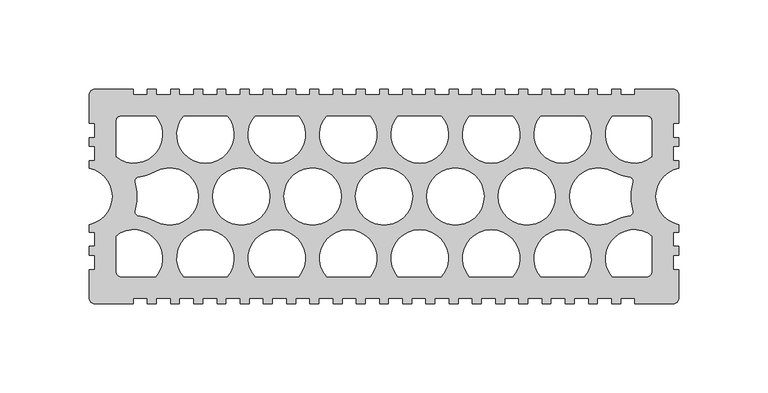
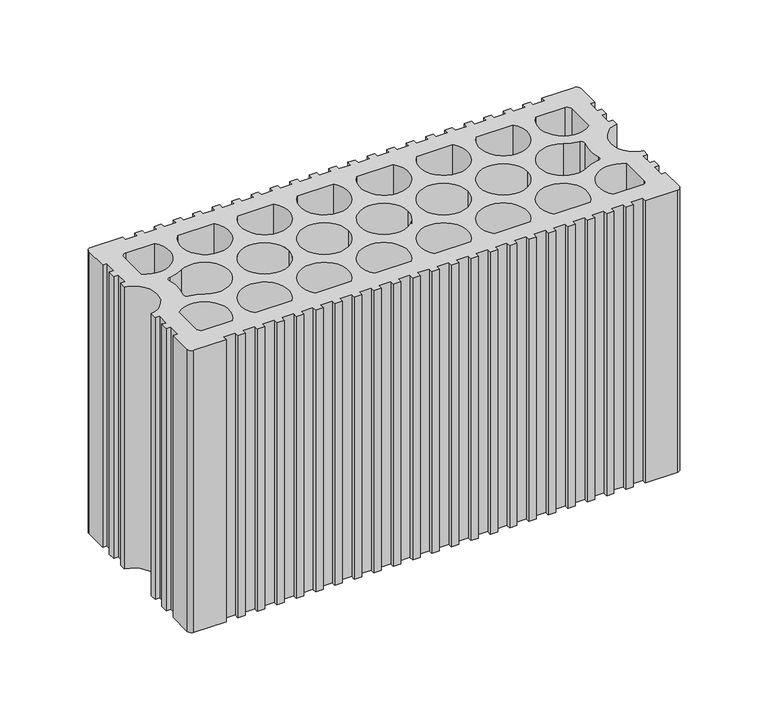
"""IFC4 building model written with IfcOpenShell, lengths in millimetres: plate geometry."""

import ifcopenshell
import ifcopenshell.guid

model = None  # the IFC model being written
_history = None  # IfcOwnerHistory: only IFC2X3 demands one
_inside = {}  # id of a spatial element -> (the spatial element, [elements in it])
_under = {}  # id of a project, library or spatial element -> (it, [spatial elements below it])
_declared = {}  # id of a project -> (the project, [libraries it declares])
_typed = {}  # id of a type object -> (the type object, [elements of that type])
_made_of = {}  # id of a material, layer set ... -> (it, [elements and type objects made of it])


def new_model(schema):
    """Start an empty IFC model of exactly this schema.

    Asked for "IFC4X3", IfcOpenShell would pick the latest addendum, in which some entities
    have other attributes; the version numbers below select the first issue.
    IFC2X3 requires an IfcOwnerHistory on every rooted entity: one is made here for all.
    """
    global model, _history
    if schema == "IFC4X3":
        model = ifcopenshell.file(schema_version=(4, 3, 0, 0))
    else:
        model = ifcopenshell.file(schema=schema)
    _inside.clear()
    _under.clear()
    _declared.clear()
    _typed.clear()
    _made_of.clear()
    _history = None
    if model.schema == "IFC2X3":
        org = make("IfcOrganization", Name="unknown")
        user = make(
            "IfcPersonAndOrganization",
            ThePerson=make("IfcPerson", FamilyName="unknown"),
            TheOrganization=org,
        )
        app = make(
            "IfcApplication",
            ApplicationDeveloper=org,
            Version="unknown",
            ApplicationFullName="unknown",
            ApplicationIdentifier="unknown",
        )
        _history = make(
            "IfcOwnerHistory",
            OwningUser=user,
            OwningApplication=app,
            ChangeAction="ADDED",
            CreationDate=0,
        )
    return model


def make(cls, **values):
    """One entity of the class cls with the attributes given. An attribute that is None is left unset."""
    return model.create_entity(
        cls, **{name: value for name, value in values.items() if value is not None}
    )


def rooted(cls, **values):
    """An entity with a GlobalId (a new one), such as an element, a storey or a relation."""
    return make(cls, GlobalId=ifcopenshell.guid.new(), OwnerHistory=_history, **values)


def si_unit(unit_type, name, prefix=None):
    """IfcSIUnit, for example si_unit("LENGTHUNIT", "METRE", prefix="MILLI")."""
    return make("IfcSIUnit", UnitType=unit_type, Prefix=prefix, Name=name)


def assignment(units):
    """IfcUnitAssignment: the units of a project."""
    return None if units is None else make("IfcUnitAssignment", Units=units)


def point(xyz):
    """IfcCartesianPoint."""
    return None if xyz is None else make("IfcCartesianPoint", Coordinates=xyz)


def direction(xyz):
    """IfcDirection."""
    return None if xyz is None else make("IfcDirection", DirectionRatios=xyz)


def frame(location, z_axis=None, x_axis=None):
    """IfcAxis2Placement3D, a coordinate frame: its origin and axes. An axis left out is left unset."""
    return make(
        "IfcAxis2Placement3D",
        Location=point(location),
        Axis=direction(z_axis),
        RefDirection=direction(x_axis),
    )


def frame_2d(location, x_axis=None):
    """IfcAxis2Placement2D, a coordinate frame in the plane: its origin and x axis."""
    return make(
        "IfcAxis2Placement2D", Location=point(location), RefDirection=direction(x_axis)
    )


def origin():
    """The frame at (0, 0, 0) with its axes left unset."""
    return frame((0.0, 0.0, 0.0))


def origin_with_axes():
    """The frame at (0, 0, 0) with the z axis (0, 0, 1) and the x axis (1, 0, 0) written out."""
    return frame((0.0, 0.0, 0.0), z_axis=(0.0, 0.0, 1.0), x_axis=(1.0, 0.0, 0.0))


def place(relative_to, where):
    """IfcLocalPlacement: puts the frame where relative to a parent placement (None: the world)."""
    return make(
        "IfcLocalPlacement", PlacementRelTo=relative_to, RelativePlacement=where
    )


def context(
    kind, dimensions, precision=None, world=None, true_north=None, identifier=None
):
    """IfcGeometricRepresentationContext, for example the 3D "Model" context."""
    return make(
        "IfcGeometricRepresentationContext",
        ContextIdentifier=identifier,
        ContextType=kind,
        CoordinateSpaceDimension=dimensions,
        Precision=precision,
        WorldCoordinateSystem=world,
        TrueNorth=true_north,
    )


def project(units=None, contexts=None):
    """IfcProject with its units and contexts."""
    return rooted(
        "IfcProject",
        Name="project",
        RepresentationContexts=contexts,
        UnitsInContext=assignment(units),
    )


def spatial(cls, under=None, at=None, **own):
    """A site, building, storey or space (cls), placed at a placement, below another one or the project."""
    s = rooted(cls, ObjectPlacement=at, **own)
    if under is not None:
        _under.setdefault(under.id(), (under, []))[1].append(s)
    return s


def polyline(points):
    """IfcPolyline through the points."""
    return make("IfcPolyline", Points=[point(p) for p in points])


def circle_curve(where, radius):
    """IfcCircle in the frame where."""
    return make("IfcCircle", Position=where, Radius=radius)


def trimmed(basis, trim1, trim2, sense, master):
    """IfcTrimmedCurve: the piece of a basis curve between two trims."""
    return make(
        "IfcTrimmedCurve",
        BasisCurve=basis,
        Trim1=trim1,
        Trim2=trim2,
        SenseAgreement=sense,
        MasterRepresentation=master,
    )


def segment(curve, same_sense, transition):
    """IfcCompositeCurveSegment."""
    return make(
        "IfcCompositeCurveSegment",
        Transition=transition,
        SameSense=same_sense,
        ParentCurve=curve,
    )


def composite_curve(segments, self_intersect=None):
    """IfcCompositeCurve: segments joined end to end."""
    return make("IfcCompositeCurve", Segments=segments, SelfIntersect=self_intersect)


def outline(outer, holes=None, kind="AREA"):
    """IfcArbitraryClosedProfileDef: a profile drawn as a closed curve; with holes, ...WithVoids."""
    if holes is None:
        return make("IfcArbitraryClosedProfileDef", ProfileType=kind, OuterCurve=outer)
    return make(
        "IfcArbitraryProfileDefWithVoids",
        ProfileType=kind,
        OuterCurve=outer,
        InnerCurves=holes,
    )


def extrude(swept, where, along, depth):
    """IfcExtrudedAreaSolid: the profile swept, set in the frame where, extruded along a direction by depth."""
    return make(
        "IfcExtrudedAreaSolid",
        SweptArea=swept,
        Position=where,
        ExtrudedDirection=direction(along),
        Depth=depth,
    )


def shape(context_of_items, identifier, shape_type, items):
    """IfcShapeRepresentation: the items that make up one representation, for example the "Body"."""
    return make(
        "IfcShapeRepresentation",
        ContextOfItems=context_of_items,
        RepresentationIdentifier=identifier,
        RepresentationType=shape_type,
        Items=items,
    )


def source(mapping_origin, context_of_items, identifier, shape_type, items):
    """IfcRepresentationMap: a shape defined once, which mapped items show again and again."""
    return make(
        "IfcRepresentationMap",
        MappingOrigin=mapping_origin,
        MappedRepresentation=shape(context_of_items, identifier, shape_type, items),
    )


def transform(
    local_origin,
    x_axis=None,
    y_axis=None,
    z_axis=None,
    scale=None,
    scale2=None,
    scale3=None,
    uniform=True,
):
    """IfcCartesianTransformationOperator3D, or its non-uniform kind. x_axis, y_axis, z_axis: its Axis1, 2, 3."""
    if uniform:
        return make(
            "IfcCartesianTransformationOperator3D",
            Axis1=direction(x_axis),
            Axis2=direction(y_axis),
            LocalOrigin=point(local_origin),
            Scale=scale,
            Axis3=direction(z_axis),
        )
    return make(
        "IfcCartesianTransformationOperator3DnonUniform",
        Axis1=direction(x_axis),
        Axis2=direction(y_axis),
        LocalOrigin=point(local_origin),
        Scale=scale,
        Axis3=direction(z_axis),
        Scale2=scale2,
        Scale3=scale3,
    )


def mapped(mapping_source, mapping_target):
    """IfcMappedItem: shows the shape of a source again, moved by a transform."""
    return make(
        "IfcMappedItem", MappingSource=mapping_source, MappingTarget=mapping_target
    )


def made_of(thing, what):
    """Note that an element or type object is made of a material, layer set ...; save() writes the relation."""
    if what is not None:
        _made_of.setdefault(what.id(), (what, []))[1].append(thing)
    return thing


def element(
    cls,
    number,
    at=None,
    inside=None,
    cuts=None,
    type_object=None,
    material=None,
    context=None,
    identifier="Body",
    shape_type=None,
    held_by="IfcProductDefinitionShape",
    body=None,
    shapes=None,
    **own,
):
    """One element of the class cls, such as IfcWall. Its Tag is "e" and its number.

    at: its placement. inside: the storey or other place that contains it. cuts: it is an
    opening in that element (IfcRelVoidsElement). A single representation is given by context,
    identifier, shape_type and body (its items); several are given by shapes. held_by: the class
    of the entity that holds the representations. save() writes the other relations.
    """
    e = rooted(cls, Tag="e%d" % number, ObjectPlacement=at, **own)
    if body is not None:
        shapes = [shape(context, identifier, shape_type, body)]
    if shapes is not None:
        e.Representation = make(held_by, Representations=shapes)
    if inside is not None:
        _inside.setdefault(inside.id(), (inside, []))[1].append(e)
    if cuts is not None:
        rooted(
            "IfcRelVoidsElement", RelatingBuildingElement=cuts, RelatedOpeningElement=e
        )
    if type_object is not None:
        _typed.setdefault(type_object.id(), (type_object, []))[1].append(e)
    return made_of(e, material)


def aggregate(whole, parts):
    """IfcRelAggregates: a whole, such as a stair, and the parts it consists of."""
    return rooted("IfcRelAggregates", RelatingObject=whole, RelatedObjects=parts)


def save(model, path):
    """Write the relations noted so far, then the file.

    IfcRelAggregates (storeys below a building ...), IfcRelContainedInSpatialStructure (elements
    in a storey), IfcRelDefinesByType, IfcRelAssociatesMaterial and IfcRelDeclares: one each for
    every whole, place, type object, material and project.
    """
    for whole, parts in _under.values():
        aggregate(whole, parts)
    for where, things in _inside.values():
        rooted(
            "IfcRelContainedInSpatialStructure",
            RelatedElements=things,
            RelatingStructure=where,
        )
    for kind, things in _typed.values():
        rooted("IfcRelDefinesByType", RelatedObjects=things, RelatingType=kind)
    for what, things in _made_of.values():
        rooted("IfcRelAssociatesMaterial", RelatedObjects=things, RelatingMaterial=what)
    for by, libraries in _declared.values():
        rooted("IfcRelDeclares", RelatingContext=by, RelatedDefinitions=libraries)
    model.write(path)


def plate_e868179e(model_context):
    return source(origin(), model_context, "Body", "SweptSolid", [
        extrude(outline(composite_curve([segment(trimmed(circle_curve(frame_2d((-77.0618721, -57.0619088)), 2.9386225), [point((-76.9999521, -59.9998788))], [point((-79.9998399, -56.9998835))], False, "CARTESIAN"), True, "CONTINUOUS"), segment(polyline([(-79.9998399, -56.9998835), (-79.9998399, -40.9999178), (-76.999825, -40.9999178), (-76.999825, -32.9999326), (-79.9998399, -32.9999326), (-79.9998399, -28.0000895), (-76.999825, -28.0000895), (-76.999825, -19.9999605), (-79.9998399, -19.9999605), (-79.9998399, -15.7162044)]), True, "CONTINUOUS"), segment(trimmed(circle_curve(frame_2d((-82.9998224, 1.4e-06)), 15.9999693), [point((-79.9998399, -15.7162044))], [point((-79.9998399, 15.7162071))], True, "CARTESIAN"), True, "CONTINUOUS"), segment(polyline([(-79.9998399, 15.7162071), (-79.9998399, 19.9999578), (-76.999825, 19.9999578), (-76.999825, 27.999943), (-79.9998399, 27.999943), (-79.9998399, 32.9999355), (-76.999825, 32.9999355), (-76.999825, 40.9999207), (-79.9998399, 40.9999207), (-79.9998399, 56.9998835)]), True, "CONTINUOUS"), segment(trimmed(circle_curve(frame_2d((-77.0618721, 57.0619088)), 2.9386225), [point((-79.9998399, 56.9998835))], [point((-76.999825, 59.9998761))], False, "CARTESIAN"), True, "CONTINUOUS"), segment(polyline([(-76.999825, 59.9998761), (-55.4998769, 59.9998761), (-55.4998769, 56.9998875), (-47.4998936, 56.9998875), (-47.4998936, 59.9998815), (-42.499901, 59.9998815), (-42.499901, 56.9998875), (-34.4999196, 56.9998875), (-34.4999196, 59.9998815), (-29.499927, 59.9998815), (-29.499927, 56.9998875), (-21.4999456, 56.9998875), (-21.4999456, 59.9998815), (-16.499953, 59.9998815), (-16.499953, 56.9998875), (-8.4999679, 56.9998875), (-8.4999679, 59.9998815), (-3.4999828, 59.9998815), (-3.4999828, 56.9998875), (4.5000024, 56.9998875), (4.5000024, 59.9998815), (9.499995, 59.9998815), (9.499995, 56.9998875), (17.4999727, 56.9998875), (17.4999727, 59.9998815), (22.4999653, 59.9998815), (22.4999653, 56.9998875), (30.4999504, 56.9998875), (30.4999504, 59.9998815), (35.499943, 59.9998815), (35.499943, 56.9998875), (43.4999207, 56.9998875), (43.4999207, 59.9998815), (48.4999133, 59.9998815), (48.4999133, 56.9998875), (56.4998984, 56.9998875), (56.4998984, 59.9998815), (61.4998836, 59.9998815), (61.4998836, 56.9998875), (69.4998687, 56.9998875), (69.4998687, 59.9998815), (74.4998538, 59.9998815), (74.4998538, 56.9998875), (82.499839, 56.9998875), (82.499839, 59.9998815), (87.499839, 59.9998815), (87.499839, 56.9998875), (95.4998242, 56.9998875), (95.4998242, 59.9998815), (100.4998093, 59.9998815), (100.4998093, 56.9998875), (108.4997944, 56.9998875), (108.4997944, 59.9998815), (113.4997796, 59.9998815), (113.4997796, 56.9998875), (121.4997647, 56.9998875), (121.4997647, 59.9998815), (126.4997499, 59.9998815), (126.4997499, 56.9998875), (134.499735, 56.9998875), (134.499735, 59.9998815), (139.499735, 59.9998815), (139.499735, 56.9998875), (147.4997202, 56.9998875), (147.4997202, 59.9998815), (152.4997053, 59.9998815), (152.4997053, 56.9998875), (160.4996905, 56.9998875), (160.4996905, 59.9998815), (165.4996756, 59.9998815), (165.4996756, 56.9998875), (173.4996756, 56.9998875), (173.4996756, 59.9998815), (178.4996608, 59.9998815), (178.4996608, 56.9998875), (186.499631, 56.9998875), (186.499631, 59.9998815), (191.4996162, 59.9998815), (191.4996162, 56.9998875), (199.4996162, 56.9998875), (199.4996162, 59.9998815), (204.4996013, 59.9998815), (204.4996013, 56.9998875), (212.4995716, 56.9998875), (212.4995716, 59.9998815), (217.4995865, 59.9998815), (217.4995865, 56.9998875), (225.4995568, 56.9998875), (225.4995568, 59.9998761), (246.9995048, 59.9998761)]), True, "CONTINUOUS"), segment(trimmed(circle_curve(frame_2d((247.0615519, 57.0619088)), 2.9386225), [point((246.9995048, 59.9998761))], [point((249.9995197, 56.9998835))], False, "CARTESIAN"), True, "CONTINUOUS"), segment(polyline([(249.9995197, 56.9998835), (249.9995197, 40.9999207), (246.9995048, 40.9999207), (246.9995048, 32.9999355), (249.9995197, 32.9999355), (249.9995197, 27.999943), (246.9995048, 27.999943), (246.9995048, 19.9999578), (249.9995197, 19.9999578), (249.9995197, 15.7162071)]), True, "CONTINUOUS"), segment(trimmed(circle_curve(frame_2d((252.9995021, 1.4e-06)), 15.9999693), [point((249.9995197, 15.7162071))], [point((249.9995197, -15.7162044))], True, "CARTESIAN"), True, "CONTINUOUS"), segment(polyline([(249.9995197, -15.7162044), (249.9995197, -19.9999605), (246.9995048, -19.9999605), (246.9995048, -27.9999419), (249.9995197, -27.9999419), (249.9995197, -32.9999326), (246.9995048, -32.9999326), (246.9995048, -40.9999178), (249.9995197, -40.9999178), (249.9995197, -56.9998835)]), True, "CONTINUOUS"), segment(trimmed(circle_curve(frame_2d((247.0615519, -57.0619088)), 2.9386225), [point((249.9995197, -56.9998835))], [point((246.9996319, -59.9998788))], False, "CARTESIAN"), True, "CONTINUOUS"), segment(polyline([(246.9996319, -59.9998788), (225.4995568, -59.9998788), (225.4995568, -56.9998848), (217.4995865, -56.9998848), (217.4995865, -59.9998788), (212.4995716, -59.9998788), (212.4995716, -56.9998848), (204.4996013, -56.9998848), (204.4996013, -59.9998788), (199.4996162, -59.9998788), (199.4996162, -56.9998848), (191.4996162, -56.9998848), (191.4996162, -59.9998788), (186.499631, -59.9998788), (186.499631, -56.9998848), (178.4996608, -56.9998848), (178.4996608, -59.9998788), (173.4996756, -59.9998788), (173.4996756, -56.9998848), (165.4996756, -56.9998848), (165.4996756, -59.9998788), (160.4996905, -59.9998788), (160.4996905, -56.9998848), (152.4997053, -56.9998848), (152.4997053, -59.9998788), (147.4997202, -59.9998788), (147.4997202, -56.9998848), (139.499735, -56.9998848), (139.499735, -59.9998788), (134.499735, -59.9998788), (134.499735, -56.9998848), (126.4997499, -56.9998848), (126.4997499, -59.9998788), (121.4997647, -59.9998788), (121.4997647, -56.9998848), (113.4997796, -56.9998848), (113.4997796, -59.9998788), (108.4997944, -59.9998788), (108.4997944, -56.9998848), (100.4998093, -56.9998848), (100.4998093, -59.9998788), (95.4998242, -59.9998788), (95.4998242, -56.9998848), (87.499839, -56.9998848), (87.499839, -59.9998788), (82.499839, -59.9998788), (82.499839, -56.9998848), (74.4998538, -56.9998848), (74.4998538, -59.9998788), (69.4998687, -59.9998788), (69.4998687, -56.9998848), (61.4998836, -56.9998848), (61.4998836, -59.9998788), (56.4998984, -59.9998788), (56.4998984, -56.9998848), (48.4999133, -56.9998848), (48.4999133, -59.9998788), (43.4999207, -59.9998788), (43.4999207, -56.9998848), (35.499943, -56.9998848), (35.499943, -59.9998788), (30.4999504, -59.9998788), (30.4999504, -56.9998848), (22.4999653, -56.9998848), (22.4999653, -59.9998788), (17.4999727, -59.9998788), (17.4999727, -56.9998848), (9.499995, -56.9998848), (9.499995, -59.9998788), (4.5000024, -59.9998788), (4.5000024, -56.9998848), (-3.4999828, -56.9998848), (-3.4999828, -59.9998788), (-8.4999679, -59.9998788), (-8.4999679, -56.9998848), (-16.499953, -56.9998848), (-16.499953, -59.9998788), (-21.4999456, -59.9998788), (-21.4999456, -56.9998848), (-29.499927, -56.9998848), (-29.499927, -59.9998788), (-34.4999196, -59.9998788), (-34.4999196, -56.9998848), (-42.499901, -56.9998848), (-42.499901, -59.9998788), (-47.4998936, -59.9998788), (-47.4998936, -56.9998848), (-55.4998769, -56.9998848), (-55.4998769, -59.9998788), (-76.9999521, -59.9998788)]), True, "CONTINUOUS")], self_intersect=False), holes=[composite_curve([segment(trimmed(circle_curve(frame_2d((-52.2305025, -8.7889089)), 1.999996), [point((-54.1535849, -8.2396021))], [point((-52.4435313, -10.7775271))], True, "CARTESIAN"), True, "CONTINUOUS"), segment(trimmed(circle_curve(frame_2d((-54.9998773, -34.6409462)), 23.9999515), [point((-52.4435313, -10.7775271))], [point((-42.9999015, -13.8563785))], False, "CARTESIAN"), True, "CONTINUOUS"), segment(trimmed(circle_curve(frame_2d((-34.9999177, 0.0)), 15.9999677), [point((-42.9999015, -13.8563785))], [point((-42.9999015, 13.8563785))], True, "CARTESIAN"), True, "CONTINUOUS"), segment(trimmed(circle_curve(frame_2d((-54.9998773, 34.6409462)), 23.9999515), [point((-42.9999015, 13.8563785))], [point((-52.4435313, 10.7775271))], False, "CARTESIAN"), True, "CONTINUOUS"), segment(trimmed(circle_curve(frame_2d((-52.2305025, 8.7889089)), 1.999996), [point((-52.4435313, 10.7775271))], [point((-54.1535849, 8.2396021))], True, "CARTESIAN"), True, "CONTINUOUS"), segment(trimmed(circle_curve(frame_2d((-82.9998207, 0.0)), 29.9999394), [point((-54.1535849, 8.2396021))], [point((-54.1535849, -8.2396021))], False, "CARTESIAN"), True, "CONTINUOUS")], self_intersect=False), composite_curve([segment(polyline([(-42.8059908, 44.9999094), (-61.9998643, 44.9999094)]), True, "CONTINUOUS"), segment(trimmed(circle_curve(frame_2d((-61.9998643, 41.999919)), 2.9999904), [point((-61.9998643, 44.9999094))], [point((-64.9998547, 41.999919))], True, "CARTESIAN"), True, "CONTINUOUS"), segment(polyline([(-64.9998547, 41.999919), (-64.9998547, 22.150976)]), True, "CONTINUOUS"), segment(trimmed(circle_curve(frame_2d((-54.9991235, 34.6402158)), 15.9998667), [point((-64.9998547, 22.150976))], [point((-42.8059908, 44.9999094))], True, "CARTESIAN"), True, "CONTINUOUS")], self_intersect=False), composite_curve([segment(polyline([(-64.9998547, -22.150976), (-64.9998547, -41.999919)]), True, "CONTINUOUS"), segment(trimmed(circle_curve(frame_2d((-61.9998643, -41.999919)), 2.9999904), [point((-64.9998547, -41.999919))], [point((-61.9998643, -44.9999094))], True, "CARTESIAN"), True, "CONTINUOUS"), segment(polyline([(-61.9998643, -44.9999094), (-42.8059908, -44.9999094)]), True, "CONTINUOUS"), segment(trimmed(circle_curve(frame_2d((-54.9991235, -34.6402158)), 15.9998667), [point((-42.8059908, -44.9999094))], [point((-64.9998547, -22.150976))], True, "CARTESIAN"), True, "CONTINUOUS")], self_intersect=False), composite_curve([segment(trimmed(circle_curve(frame_2d((-14.9999449, -34.6228654)), 16.0116774), [point((-2.8060623, -44.9999094))], [point((-27.1938275, -44.9999094))], True, "CARTESIAN"), True, "CONTINUOUS"), segment(polyline([(-27.1938275, -44.9999094), (-2.8060623, -44.9999094)]), True, "CONTINUOUS")], self_intersect=False), composite_curve([segment(trimmed(circle_curve(frame_2d((24.999971, -34.6228654)), 16.0116774), [point((37.1938536, -44.9999094))], [point((12.8060884, -44.9999094))], True, "CARTESIAN"), True, "CONTINUOUS"), segment(polyline([(12.8060884, -44.9999094), (37.1938536, -44.9999094)]), True, "CONTINUOUS")], self_intersect=False), composite_curve([segment(trimmed(circle_curve(frame_2d((64.9998869, -34.6228654)), 16.0116774), [point((77.1937695, -44.9999094))], [point((52.8060043, -44.9999094))], True, "CARTESIAN"), True, "CONTINUOUS"), segment(polyline([(52.8060043, -44.9999094), (77.1937695, -44.9999094)]), True, "CONTINUOUS")], self_intersect=False), composite_curve([segment(trimmed(circle_curve(frame_2d((104.9998028, -34.6228654)), 16.0116774), [point((117.1936854, -44.9999094))], [point((92.8059202, -44.9999094))], True, "CARTESIAN"), True, "CONTINUOUS"), segment(polyline([(92.8059202, -44.9999094), (117.1936854, -44.9999094)]), True, "CONTINUOUS")], self_intersect=False), composite_curve([segment(trimmed(circle_curve(frame_2d((144.9997187, -34.6228654)), 16.0116774), [point((157.1936013, -44.9999094))], [point((132.8058361, -44.9999094))], True, "CARTESIAN"), True, "CONTINUOUS"), segment(polyline([(132.8058361, -44.9999094), (157.1936013, -44.9999094)]), True, "CONTINUOUS")], self_intersect=False), composite_curve([segment(trimmed(circle_curve(frame_2d((184.9996346, -34.6228654)), 16.0116774), [point((197.1935172, -44.9999094))], [point((172.805752, -44.9999094))], True, "CARTESIAN"), True, "CONTINUOUS"), segment(polyline([(172.805752, -44.9999094), (197.1935172, -44.9999094)]), True, "CONTINUOUS")], self_intersect=False), composite_curve([segment(trimmed(circle_curve(frame_2d((5.0000015, 0.0)), 15.9999677), [point((-10.9999662, 0.0))], [point((20.9999692, 0.0))], True, "CARTESIAN"), True, "CONTINUOUS"), segment(trimmed(circle_curve(frame_2d((5.0000015, 0.0)), 15.9999677), [point((20.9999692, 0.0))], [point((-10.9999662, 0.0))], True, "CARTESIAN"), True, "CONTINUOUS")], self_intersect=False), composite_curve([segment(trimmed(circle_curve(frame_2d((44.9999207, 0.0)), 15.9999677), [point((28.999953, 0.0))], [point((60.9998884, 0.0))], True, "CARTESIAN"), True, "CONTINUOUS"), segment(trimmed(circle_curve(frame_2d((44.9999207, 0.0)), 15.9999677), [point((60.9998884, 0.0))], [point((28.999953, 0.0))], True, "CARTESIAN"), True, "CONTINUOUS")], self_intersect=False), composite_curve([segment(trimmed(circle_curve(frame_2d((84.9998399, 0.0)), 15.9999677), [point((68.9998722, 0.0))], [point((100.9998076, 0.0))], True, "CARTESIAN"), True, "CONTINUOUS"), segment(trimmed(circle_curve(frame_2d((84.9998399, 0.0)), 15.9999677), [point((100.9998076, 0.0))], [point((68.9998722, 0.0))], True, "CARTESIAN"), True, "CONTINUOUS")], self_intersect=False), composite_curve([segment(trimmed(circle_curve(frame_2d((124.9997591, 0.0)), 15.9999677), [point((108.9997914, 0.0))], [point((140.9997268, 0.0))], True, "CARTESIAN"), True, "CONTINUOUS"), segment(trimmed(circle_curve(frame_2d((124.9997591, 0.0)), 15.9999677), [point((140.9997268, 0.0))], [point((108.9997914, 0.0))], True, "CARTESIAN"), True, "CONTINUOUS")], self_intersect=False), composite_curve([segment(trimmed(circle_curve(frame_2d((164.9996783, 0.0)), 15.9999677), [point((148.9997106, 0.0))], [point((180.999646, 0.0))], True, "CARTESIAN"), True, "CONTINUOUS"), segment(trimmed(circle_curve(frame_2d((164.9996783, 0.0)), 15.9999677), [point((180.999646, 0.0))], [point((148.9997106, 0.0))], True, "CARTESIAN"), True, "CONTINUOUS")], self_intersect=False), composite_curve([segment(trimmed(circle_curve(frame_2d((184.9996346, 34.6228681)), 16.0116774), [point((172.805752, 44.9999121))], [point((197.1935172, 44.9999121))], True, "CARTESIAN"), True, "CONTINUOUS"), segment(polyline([(197.1935172, 44.9999121), (172.805752, 44.9999121)]), True, "CONTINUOUS")], self_intersect=False), composite_curve([segment(polyline([(157.1936013, 44.9999121), (132.8058361, 44.9999121)]), True, "CONTINUOUS"), segment(trimmed(circle_curve(frame_2d((144.9997187, 34.6228681)), 16.0116774), [point((132.8058361, 44.9999121))], [point((157.1936013, 44.9999121))], True, "CARTESIAN"), True, "CONTINUOUS")], self_intersect=False), composite_curve([segment(trimmed(circle_curve(frame_2d((104.9998028, 34.6228681)), 16.0116774), [point((92.8059202, 44.9999121))], [point((117.1936854, 44.9999121))], True, "CARTESIAN"), True, "CONTINUOUS"), segment(polyline([(117.1936854, 44.9999121), (92.8059202, 44.9999121)]), True, "CONTINUOUS")], self_intersect=False), composite_curve([segment(polyline([(77.1937695, 44.9999121), (52.8060043, 44.9999121)]), True, "CONTINUOUS"), segment(trimmed(circle_curve(frame_2d((64.9998869, 34.6228681)), 16.0116774), [point((52.8060043, 44.9999121))], [point((77.1937695, 44.9999121))], True, "CARTESIAN"), True, "CONTINUOUS")], self_intersect=False), composite_curve([segment(polyline([(37.1938536, 44.9999121), (12.8060884, 44.9999121)]), True, "CONTINUOUS"), segment(trimmed(circle_curve(frame_2d((24.999971, 34.6228681)), 16.0116774), [point((12.8060884, 44.9999121))], [point((37.1938536, 44.9999121))], True, "CARTESIAN"), True, "CONTINUOUS")], self_intersect=False), composite_curve([segment(polyline([(-2.8060623, 44.9999121), (-27.1938275, 44.9999121)]), True, "CONTINUOUS"), segment(trimmed(circle_curve(frame_2d((-14.9999449, 34.6228681)), 16.0116774), [point((-27.1938275, 44.9999121))], [point((-2.8060623, 44.9999121))], True, "CARTESIAN"), True, "CONTINUOUS")], self_intersect=False), composite_curve([segment(trimmed(circle_curve(frame_2d((252.9995005, 0.0)), 29.9999394), [point((224.1532647, -8.2396021))], [point((224.1532647, 8.2396021))], False, "CARTESIAN"), True, "CONTINUOUS"), segment(trimmed(circle_curve(frame_2d((222.2301823, 8.7889089)), 1.999996), [point((224.1532647, 8.2396021))], [point((222.4432111, 10.7775271))], True, "CARTESIAN"), True, "CONTINUOUS"), segment(trimmed(circle_curve(frame_2d((224.9995571, 34.6409462)), 23.9999515), [point((222.4432111, 10.7775271))], [point((212.9995813, 13.8563785))], False, "CARTESIAN"), True, "CONTINUOUS"), segment(trimmed(circle_curve(frame_2d((204.9995975, 0.0)), 15.9999677), [point((212.9995813, 13.8563785))], [point((212.9995813, -13.8563785))], True, "CARTESIAN"), True, "CONTINUOUS"), segment(trimmed(circle_curve(frame_2d((224.9995571, -34.6409462)), 23.9999515), [point((212.9995813, -13.8563785))], [point((222.4432111, -10.7775271))], False, "CARTESIAN"), True, "CONTINUOUS"), segment(trimmed(circle_curve(frame_2d((222.2301823, -8.7889089)), 1.999996), [point((222.4432111, -10.7775271))], [point((224.1532647, -8.2396021))], True, "CARTESIAN"), True, "CONTINUOUS")], self_intersect=False), composite_curve([segment(trimmed(circle_curve(frame_2d((224.9988032, 34.6402158)), 15.9998667), [point((212.8056706, 44.9999094))], [point((234.9995345, 22.150976))], True, "CARTESIAN"), True, "CONTINUOUS"), segment(polyline([(234.9995345, 22.150976), (234.9995345, 41.999919)]), True, "CONTINUOUS"), segment(trimmed(circle_curve(frame_2d((231.999544, 41.999919)), 2.9999904), [point((234.9995345, 41.999919))], [point((231.999544, 44.9999094))], True, "CARTESIAN"), True, "CONTINUOUS"), segment(polyline([(231.999544, 44.9999094), (212.8056706, 44.9999094)]), True, "CONTINUOUS")], self_intersect=False), composite_curve([segment(trimmed(circle_curve(frame_2d((224.9988032, -34.6402158)), 15.9998667), [point((234.9995345, -22.150976))], [point((212.8056706, -44.9999094))], True, "CARTESIAN"), True, "CONTINUOUS"), segment(polyline([(212.8056706, -44.9999094), (231.999544, -44.9999094)]), True, "CONTINUOUS"), segment(trimmed(circle_curve(frame_2d((231.999544, -41.999919)), 2.9999904), [point((231.999544, -44.9999094))], [point((234.9995345, -41.999919))], True, "CARTESIAN"), True, "CONTINUOUS"), segment(polyline([(234.9995345, -41.999919), (234.9995345, -22.150976)]), True, "CONTINUOUS")], self_intersect=False)]), origin_with_axes(), (0.0, 0.0, 1.0), 200.0),
    ])


if __name__ == "__main__":
    model = new_model("IFC4")
    model_context = context("Model", 3, world=origin())
    ifc_project = project(units=[si_unit("LENGTHUNIT", "METRE", prefix="MILLI")], contexts=[model_context])
    site = spatial("IfcSite", under=ifc_project)
    building = spatial("IfcBuilding", under=site)
    placement = place(None, origin())
    plate_shape = plate_e868179e(model_context)
    element("IfcPlate", 1, at=placement, inside=building, context=model_context, shape_type="MappedRepresentation", body=[
        mapped(plate_shape, transform((0.0, 0.0, 0.0), x_axis=(1.0, 0.0, 0.0), y_axis=(0.0, 1.0, 0.0), z_axis=(0.0, 0.0, 1.0))),
    ])
    save(model, "model.ifc")
